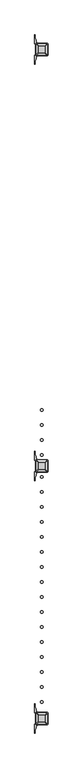
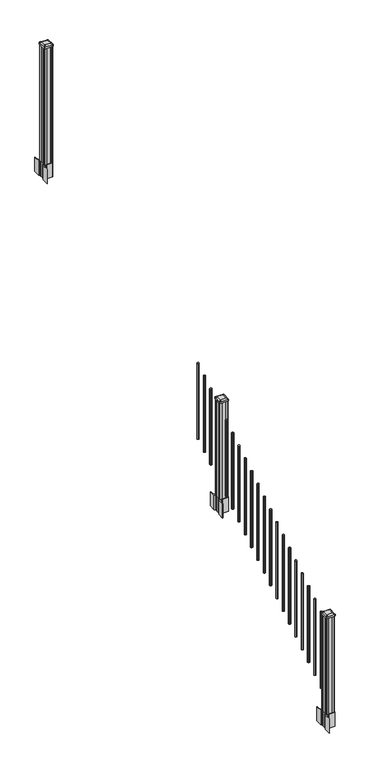
"""IFC4 building model written with IfcOpenShell, lengths in millimetres: railing geometry."""

from ifc_helpers import new_model, si_unit, point, frame, frame_2d, origin, place, context, project, spatial, polyline, circle_curve, trimmed, segment, composite_curve, outline, extrude, source, transform, mapped, element, save
from ifc_brep_helpers import plane_surface, extruded_surface, advanced_brep


def railing_0baa74fc(model_context):
    return source(origin(), model_context, "Body", "SolidModel", [
        extrude(outline(composite_curve([segment(trimmed(circle_curve(frame_2d((7129.4802034, -20054.6054681)), 9.525), [point((7139.0052034, -20054.6054681))], [point((7129.4802034, -20064.1304681))], False, "CARTESIAN"), True, "CONTINUOUS"), segment(trimmed(circle_curve(frame_2d((7129.4802034, -20054.6054681)), 9.525), [point((7129.4802034, -20064.1304681))], [point((7119.9552034, -20054.6054681))], False, "CARTESIAN"), True, "CONTINUOUS"), segment(trimmed(circle_curve(frame_2d((7129.4802034, -20054.6054681)), 9.525), [point((7119.9552034, -20054.6054681))], [point((7129.4802034, -20045.0804681))], False, "CARTESIAN"), True, "CONTINUOUS"), segment(trimmed(circle_curve(frame_2d((7129.4802034, -20054.6054681)), 9.525), [point((7129.4802034, -20045.0804681))], [point((7139.0052034, -20054.6054681))], False, "CARTESIAN"), True, "CONTINUOUS")], self_intersect=False)), frame((0.0, 0.0, 1695.6046281), z_axis=(0.0, 0.0, 1.0), x_axis=(1.0, 0.0, 0.0)), (0.0, 0.0, 1.0), 812.8041219),
        extrude(outline(composite_curve([segment(trimmed(circle_curve(frame_2d((7129.4802034, -20165.8574681)), 9.525), [point((7139.0052034, -20165.8574681))], [point((7129.4802034, -20175.3824681))], False, "CARTESIAN"), True, "CONTINUOUS"), segment(trimmed(circle_curve(frame_2d((7129.4802034, -20165.8574681)), 9.525), [point((7129.4802034, -20175.3824681))], [point((7119.9552034, -20165.8574681))], False, "CARTESIAN"), True, "CONTINUOUS"), segment(trimmed(circle_curve(frame_2d((7129.4802034, -20165.8574681)), 9.525), [point((7119.9552034, -20165.8574681))], [point((7129.4802034, -20156.3324681))], False, "CARTESIAN"), True, "CONTINUOUS"), segment(trimmed(circle_curve(frame_2d((7129.4802034, -20165.8574681)), 9.525), [point((7129.4802034, -20156.3324681))], [point((7139.0052034, -20165.8574681))], False, "CARTESIAN"), True, "CONTINUOUS")], self_intersect=False)), frame((0.0, 0.0, 1626.0721281), z_axis=(0.0, 0.0, 1.0), x_axis=(1.0, 0.0, 0.0)), (0.0, 0.0, 1.0), 812.8041219),
        extrude(outline(composite_curve([segment(trimmed(circle_curve(frame_2d((7129.4802034, -20277.1094681)), 9.525), [point((7139.0052034, -20277.1094681))], [point((7129.4802034, -20286.6344681))], False, "CARTESIAN"), True, "CONTINUOUS"), segment(trimmed(circle_curve(frame_2d((7129.4802034, -20277.1094681)), 9.525), [point((7129.4802034, -20286.6344681))], [point((7119.9552034, -20277.1094681))], False, "CARTESIAN"), True, "CONTINUOUS"), segment(trimmed(circle_curve(frame_2d((7129.4802034, -20277.1094681)), 9.525), [point((7119.9552034, -20277.1094681))], [point((7129.4802034, -20267.5844681))], False, "CARTESIAN"), True, "CONTINUOUS"), segment(trimmed(circle_curve(frame_2d((7129.4802034, -20277.1094681)), 9.525), [point((7129.4802034, -20267.5844681))], [point((7139.0052034, -20277.1094681))], False, "CARTESIAN"), True, "CONTINUOUS")], self_intersect=False)), frame((0.0, 0.0, 1556.5396281), z_axis=(0.0, 0.0, 1.0), x_axis=(1.0, 0.0, 0.0)), (0.0, 0.0, 1.0), 812.8041219),
        extrude(outline(composite_curve([segment(trimmed(circle_curve(frame_2d((7129.4802034, -20388.3614681)), 9.525), [point((7139.0052034, -20388.3614681))], [point((7129.4802034, -20397.8864681))], False, "CARTESIAN"), True, "CONTINUOUS"), segment(trimmed(circle_curve(frame_2d((7129.4802034, -20388.3614681)), 9.525), [point((7129.4802034, -20397.8864681))], [point((7119.9552034, -20388.3614681))], False, "CARTESIAN"), True, "CONTINUOUS"), segment(trimmed(circle_curve(frame_2d((7129.4802034, -20388.3614681)), 9.525), [point((7119.9552034, -20388.3614681))], [point((7129.4802034, -20378.8364681))], False, "CARTESIAN"), True, "CONTINUOUS"), segment(trimmed(circle_curve(frame_2d((7129.4802034, -20388.3614681)), 9.525), [point((7129.4802034, -20378.8364681))], [point((7139.0052034, -20388.3614681))], False, "CARTESIAN"), True, "CONTINUOUS")], self_intersect=False)), frame((0.0, 0.0, 1487.0071281), z_axis=(0.0, 0.0, 1.0), x_axis=(1.0, 0.0, 0.0)), (0.0, 0.0, 1.0), 812.8041219),
        extrude(outline(composite_curve([segment(polyline([(7172.2157034, -20486.773563), (7173.8032034, -20487.535563), (7173.8032034, -20510.337491), (7170.4302263, -20513.7104681), (7108.9705555, -20513.7104681), (7108.9705555, -20514.6312181), (7103.6530117, -20514.6312181), (7103.6530117, -20516.0854728), (7098.568482, -20516.0854728), (7098.568482, -20517.3694966), (7096.9012097, -20517.3694966)]), True, "CONTINUOUS"), segment(trimmed(circle_curve(frame_2d((7096.9012097, -20524.4289565)), 7.0594599), [point((7096.9012097, -20517.3694966))], [point((7090.1339468, -20522.4189498))], True, "CARTESIAN"), True, "CONTINUOUS"), segment(polyline([(7090.1339468, -20522.4189498), (7082.2597526, -20548.9296789)]), True, "CONTINUOUS"), segment(trimmed(circle_curve(frame_2d((7137.0442659, -20565.2017285)), 57.15), [point((7082.2597526, -20548.9296789))], [point((7079.8942659, -20565.2017285))], True, "CARTESIAN"), True, "CONTINUOUS"), segment(polyline([(7079.8942659, -20565.2017285), (7079.8942659, -20577.2104681), (7076.8942659, -20577.2104681), (7076.8942659, -20512.1229681), (7085.1572034, -20500.7846768), (7085.1572034, -20487.535563), (7086.7447034, -20486.773563), (7086.7447034, -20452.0013732), (7085.1572034, -20451.2393732), (7085.1572034, -20437.9902594), (7076.8942659, -20426.6519681), (7076.8942659, -20361.5644681), (7079.8942659, -20361.5644681), (7079.8942659, -20373.5732076)]), True, "CONTINUOUS"), segment(trimmed(circle_curve(frame_2d((7137.0442659, -20373.5732076)), 57.15), [point((7079.8942659, -20373.5732076))], [point((7082.2597526, -20389.8452573))], True, "CARTESIAN"), True, "CONTINUOUS"), segment(polyline([(7082.2597526, -20389.8452573), (7090.1339468, -20416.3559864)]), True, "CONTINUOUS"), segment(trimmed(circle_curve(frame_2d((7096.9012097, -20414.3459797)), 7.0594599), [point((7090.1339468, -20416.3559864))], [point((7096.9012097, -20421.4054396))], True, "CARTESIAN"), True, "CONTINUOUS"), segment(polyline([(7096.9012097, -20421.4054396), (7098.568482, -20421.4054396), (7098.568482, -20422.6894634), (7103.6530117, -20422.6894634), (7103.6530117, -20424.1437181), (7108.9705555, -20424.1437181), (7108.9705555, -20425.0644681), (7170.4302263, -20425.0644681), (7173.8032034, -20428.4374452), (7173.8032034, -20451.2393732), (7172.2157034, -20452.0013732), (7172.2157034, -20486.773563)]), True, "CONTINUOUS")], self_intersect=False), holes=[polyline([(7088.2052034, -20429.6999681), (7088.2052034, -20509.0749681), (7089.7927034, -20510.6624681), (7126.716986, -20510.6624681), (7169.1677034, -20510.6624681), (7170.7552034, -20509.0749681), (7170.7552034, -20429.6999681), (7169.1677034, -20428.1124681), (7126.716986, -20428.1124681), (7089.7927034, -20428.1124681), (7088.2052034, -20429.6999681)])]), frame((0.0, 0.0, 1182.37), z_axis=(0.0, 0.0, 1.0), x_axis=(1.0, 0.0, 0.0)), (0.0, 0.0, 1.0), 152.4),
        advanced_brep(
        [(7103.6833284, -20498.3593431, 2394.709263), (7155.2770784, -20498.3593431, 2394.709263), (7158.4520784, -20495.1843431, 2394.709263), (7158.4520784, -20443.5905931, 2394.709263), (7155.2770784, -20440.4155931, 2394.709263), (7103.6833284, -20440.4155931, 2394.709263), (7100.5083284, -20443.5905931, 2394.709263), (7100.5083284, -20495.1843431, 2394.709263), (7087.4114534, -20514.6312181, 2383.406263), (7084.2364534, -20511.4562181, 2383.406263), (7084.2364534, -20427.3187181, 2383.406263), (7087.4114534, -20424.1437181, 2383.406263), (7171.5489534, -20424.1437181, 2383.406263), (7174.7239534, -20427.3187181, 2383.406263), (7174.7239534, -20511.4562181, 2383.406263), (7171.5489534, -20514.6312181, 2383.406263)],
        [
            (0, 1),
            (1, 2, circle_curve(frame((7155.2770784, -20495.1843431, 2394.709263), z_axis=(0.0, 0.0, 1.0), x_axis=(0.0, 1.0, 0.0)), 3.175)),
            (2, 3),
            (3, 4, circle_curve(frame((7155.2770784, -20443.5905931, 2394.709263), z_axis=(0.0, 0.0, 1.0), x_axis=(0.0, 1.0, 0.0)), 3.175)),
            (4, 5),
            (5, 6, circle_curve(frame((7103.6833284, -20443.5905931, 2394.709263), z_axis=(0.0, 0.0, 1.0), x_axis=(0.0, 1.0, 0.0)), 3.175)),
            (6, 7),
            (7, 0, circle_curve(frame((7103.6833284, -20495.1843431, 2394.709263), z_axis=(0.0, 0.0, 1.0), x_axis=(0.0, 1.0, 0.0)), 3.175)),
            (8, 9, circle_curve(frame((7087.4114534, -20511.4562181, 2383.406263), z_axis=(0.0, 0.0, -1.0), x_axis=(0.0, 1.0, 0.0)), 3.175)),
            (9, 10),
            (10, 11, circle_curve(frame((7087.4114534, -20427.3187181, 2383.406263), z_axis=(0.0, 0.0, -1.0), x_axis=(0.0, 1.0, 0.0)), 3.175)),
            (11, 12),
            (12, 13, circle_curve(frame((7171.5489534, -20427.3187181, 2383.406263), z_axis=(0.0, 0.0, -1.0), x_axis=(0.0, 1.0, 0.0)), 3.175)),
            (13, 14),
            (14, 15, circle_curve(frame((7171.5489534, -20511.4562181, 2383.406263), z_axis=(0.0, 0.0, -1.0), x_axis=(0.0, 1.0, 0.0)), 3.175)),
            (15, 8),
            (8, 0),
            (7, 9),
            (6, 10),
            (5, 11),
            (4, 12),
            (3, 13),
            (2, 14),
            (1, 15),
        ],
        [
            plane_surface(frame((7129.4802034, -20469.3874681, 2394.709263), z_axis=(0.0, 0.0, 1.0), x_axis=(-1.0, 0.0, 0.0))),
            plane_surface(frame((7129.4802034, -20469.3874681, 2383.406263), z_axis=(0.0, 0.0, -1.0), x_axis=(-1.0, 0.0, 0.0))),
            extruded_surface(trimmed(circle_curve(frame((7103.6833284, -20495.1843431, 2394.709263), z_axis=(0.0, 0.0, -1.0), x_axis=(0.0, 1.0, 0.0)), 3.175), [point((7103.6833284, -20498.3593431, 2394.709263))], [point((7100.5083284, -20495.1843431, 2394.709263))], True, "CARTESIAN"), (-16.271875000000364, -16.271874999998545, -11.303000000000338), 25.63797263886562),
            plane_surface(frame((7084.2364534, -20469.3874681, 2383.406263), z_axis=(-0.5705009161540778, 0.0, 0.8212969649690408), x_axis=(0.0, 1.0, 0.0))),
            extruded_surface(trimmed(circle_curve(frame((7103.6833284, -20443.5905931, 2394.709263), z_axis=(0.0, 0.0, -1.0), x_axis=(0.0, 1.0, 0.0)), 3.175), [point((7100.5083284, -20443.5905931, 2394.709263))], [point((7103.6833284, -20440.4155931, 2394.709263))], True, "CARTESIAN"), (-16.271875000000364, 16.271875000002183, -11.303000000000338), 25.63797263886793),
            plane_surface(frame((7129.4802034, -20424.1437181, 2383.406263), z_axis=(0.0, 0.5705009161540291, 0.8212969649690747), x_axis=(1.0, 0.0, 0.0))),
            extruded_surface(trimmed(circle_curve(frame((7155.2770784, -20443.5905931, 2394.709263), z_axis=(0.0, 0.0, -1.0), x_axis=(0.0, 1.0, 0.0)), 3.175), [point((7155.2770784, -20440.4155931, 2394.709263))], [point((7158.4520784, -20443.5905931, 2394.709263))], True, "CARTESIAN"), (16.271874999999454, 16.271875000002183, -11.303000000000338), 25.637972638867353),
            plane_surface(frame((7174.7239534, -20469.3874681, 2383.406263), z_axis=(0.5705009161540142, 0.0, 0.8212969649690851), x_axis=(0.0, -1.0, 0.0))),
            extruded_surface(trimmed(circle_curve(frame((7155.2770784, -20495.1843431, 2394.709263), z_axis=(0.0, 0.0, -1.0), x_axis=(0.0, 1.0, 0.0)), 3.175), [point((7158.4520784, -20495.1843431, 2394.709263))], [point((7155.2770784, -20498.3593431, 2394.709263))], True, "CARTESIAN"), (16.271874999999454, -16.271874999998545, -11.303000000000338), 25.63797263886504),
            plane_surface(frame((7129.4802034, -20514.6312181, 2383.406263), z_axis=(0.0, -0.570500916154034, 0.8212969649690713), x_axis=(-1.0, 0.0, 0.0))),
        ],
        [
            (0, [[1, 2, 3, 4, 5, 6, 7, 8]]),
            (1, [[9, 10, 11, 12, 13, 14, 15, 16]]),
            (2, [[17, -8, 18, -9]]),
            (3, [[-18, -7, 19, -10]]),
            (4, [[-19, -6, 20, -11]]),
            (5, [[-20, -5, 21, -12]]),
            (6, [[-21, -4, 22, -13]]),
            (7, [[-22, -3, 23, -14]]),
            (8, [[-23, -2, 24, -15]]),
            (9, [[-24, -1, -17, -16]]),
        ],
    ),
        extrude(outline(composite_curve([segment(trimmed(circle_curve(frame_2d((7087.4114534, -20511.4562181)), 3.175), [point((7087.4114534, -20514.6312181))], [point((7084.2364534, -20511.4562181))], False, "CARTESIAN"), True, "CONTINUOUS"), segment(polyline([(7084.2364534, -20511.4562181), (7084.2364534, -20427.3187181)]), True, "CONTINUOUS"), segment(trimmed(circle_curve(frame_2d((7087.4114534, -20427.3187181)), 3.175), [point((7084.2364534, -20427.3187181))], [point((7087.4114534, -20424.1437181))], False, "CARTESIAN"), True, "CONTINUOUS"), segment(polyline([(7087.4114534, -20424.1437181), (7171.5489534, -20424.1437181)]), True, "CONTINUOUS"), segment(trimmed(circle_curve(frame_2d((7171.5489534, -20427.3187181)), 3.175), [point((7171.5489534, -20424.1437181))], [point((7174.7239534, -20427.3187181))], False, "CARTESIAN"), True, "CONTINUOUS"), segment(polyline([(7174.7239534, -20427.3187181), (7174.7239534, -20511.4562181)]), True, "CONTINUOUS"), segment(trimmed(circle_curve(frame_2d((7171.5489534, -20511.4562181)), 3.175), [point((7174.7239534, -20511.4562181))], [point((7171.5489534, -20514.6312181))], False, "CARTESIAN"), True, "CONTINUOUS"), segment(polyline([(7171.5489534, -20514.6312181), (7087.4114534, -20514.6312181)]), True, "CONTINUOUS")], self_intersect=False)), frame((0.0, 0.0, 2366.134263), z_axis=(0.0, 0.0, 1.0), x_axis=(1.0, 0.0, 0.0)), (0.0, 0.0, 1.0), 17.272),
        extrude(outline(polyline([(7089.7927034, -20510.6624681), (7088.2052034, -20509.0749681), (7088.2052034, -20489.4534681), (7089.7927034, -20488.6914681), (7089.7927034, -20450.0834681), (7088.2052034, -20449.3214681), (7088.2052034, -20429.6999681), (7089.7927034, -20428.1124681), (7109.4142034, -20428.1124681), (7110.1762034, -20429.6999681), (7148.7842034, -20429.6999681), (7149.5462034, -20428.1124681), (7169.1677034, -20428.1124681), (7170.7552034, -20429.6999681), (7170.7552034, -20449.3214681), (7169.1677034, -20450.0834681), (7169.1677034, -20488.6914681), (7170.7552034, -20489.4534681), (7170.7552034, -20509.0749681), (7169.1677034, -20510.6624681), (7149.5462034, -20510.6624681), (7148.7842034, -20509.0749681), (7110.1762034, -20509.0749681), (7109.4142034, -20510.6624681), (7089.7927034, -20510.6624681)])), frame((0.0, 0.0, 1334.77), z_axis=(0.0, 0.0, 1.0), x_axis=(1.0, 0.0, 0.0)), (0.0, 0.0, 1.0), 1031.364263),
        extrude(outline(composite_curve([segment(trimmed(circle_curve(frame_2d((7129.4802034, -20550.4134681)), 9.525), [point((7139.0052034, -20550.4134681))], [point((7129.4802034, -20559.9384681))], False, "CARTESIAN"), True, "CONTINUOUS"), segment(trimmed(circle_curve(frame_2d((7129.4802034, -20550.4134681)), 9.525), [point((7129.4802034, -20559.9384681))], [point((7119.9552034, -20550.4134681))], False, "CARTESIAN"), True, "CONTINUOUS"), segment(trimmed(circle_curve(frame_2d((7129.4802034, -20550.4134681)), 9.525), [point((7119.9552034, -20550.4134681))], [point((7129.4802034, -20540.8884681))], False, "CARTESIAN"), True, "CONTINUOUS"), segment(trimmed(circle_curve(frame_2d((7129.4802034, -20550.4134681)), 9.525), [point((7129.4802034, -20540.8884681))], [point((7139.0052034, -20550.4134681))], False, "CARTESIAN"), True, "CONTINUOUS")], self_intersect=False)), frame((0.0, 0.0, 1385.7246281), z_axis=(0.0, 0.0, 1.0), x_axis=(1.0, 0.0, 0.0)), (0.0, 0.0, 1.0), 812.8041219),
        extrude(outline(composite_curve([segment(trimmed(circle_curve(frame_2d((7129.4802034, -20661.6654681)), 9.525), [point((7139.0052034, -20661.6654681))], [point((7129.4802034, -20671.1904681))], False, "CARTESIAN"), True, "CONTINUOUS"), segment(trimmed(circle_curve(frame_2d((7129.4802034, -20661.6654681)), 9.525), [point((7129.4802034, -20671.1904681))], [point((7119.9552034, -20661.6654681))], False, "CARTESIAN"), True, "CONTINUOUS"), segment(trimmed(circle_curve(frame_2d((7129.4802034, -20661.6654681)), 9.525), [point((7119.9552034, -20661.6654681))], [point((7129.4802034, -20652.1404681))], False, "CARTESIAN"), True, "CONTINUOUS"), segment(trimmed(circle_curve(frame_2d((7129.4802034, -20661.6654681)), 9.525), [point((7129.4802034, -20652.1404681))], [point((7139.0052034, -20661.6654681))], False, "CARTESIAN"), True, "CONTINUOUS")], self_intersect=False)), frame((0.0, 0.0, 1316.1921281), z_axis=(0.0, 0.0, 1.0), x_axis=(1.0, 0.0, 0.0)), (0.0, 0.0, 1.0), 812.8041219),
        extrude(outline(composite_curve([segment(trimmed(circle_curve(frame_2d((7129.4802034, -20772.9174681)), 9.525), [point((7139.0052034, -20772.9174681))], [point((7129.4802034, -20782.4424681))], False, "CARTESIAN"), True, "CONTINUOUS"), segment(trimmed(circle_curve(frame_2d((7129.4802034, -20772.9174681)), 9.525), [point((7129.4802034, -20782.4424681))], [point((7119.9552034, -20772.9174681))], False, "CARTESIAN"), True, "CONTINUOUS"), segment(trimmed(circle_curve(frame_2d((7129.4802034, -20772.9174681)), 9.525), [point((7119.9552034, -20772.9174681))], [point((7129.4802034, -20763.3924681))], False, "CARTESIAN"), True, "CONTINUOUS"), segment(trimmed(circle_curve(frame_2d((7129.4802034, -20772.9174681)), 9.525), [point((7129.4802034, -20763.3924681))], [point((7139.0052034, -20772.9174681))], False, "CARTESIAN"), True, "CONTINUOUS")], self_intersect=False)), frame((0.0, 0.0, 1246.6596281), z_axis=(0.0, 0.0, 1.0), x_axis=(1.0, 0.0, 0.0)), (0.0, 0.0, 1.0), 812.8041219),
        extrude(outline(composite_curve([segment(trimmed(circle_curve(frame_2d((7129.4802034, -20884.1694681)), 9.525), [point((7139.0052034, -20884.1694681))], [point((7129.4802034, -20893.6944681))], False, "CARTESIAN"), True, "CONTINUOUS"), segment(trimmed(circle_curve(frame_2d((7129.4802034, -20884.1694681)), 9.525), [point((7129.4802034, -20893.6944681))], [point((7119.9552034, -20884.1694681))], False, "CARTESIAN"), True, "CONTINUOUS"), segment(trimmed(circle_curve(frame_2d((7129.4802034, -20884.1694681)), 9.525), [point((7119.9552034, -20884.1694681))], [point((7129.4802034, -20874.6444681))], False, "CARTESIAN"), True, "CONTINUOUS"), segment(trimmed(circle_curve(frame_2d((7129.4802034, -20884.1694681)), 9.525), [point((7129.4802034, -20874.6444681))], [point((7139.0052034, -20884.1694681))], False, "CARTESIAN"), True, "CONTINUOUS")], self_intersect=False)), frame((0.0, 0.0, 1177.1271281), z_axis=(0.0, 0.0, 1.0), x_axis=(1.0, 0.0, 0.0)), (0.0, 0.0, 1.0), 812.8041219),
        extrude(outline(composite_curve([segment(trimmed(circle_curve(frame_2d((7129.4802034, -20995.4214681)), 9.525), [point((7139.0052034, -20995.4214681))], [point((7129.4802034, -21004.9464681))], False, "CARTESIAN"), True, "CONTINUOUS"), segment(trimmed(circle_curve(frame_2d((7129.4802034, -20995.4214681)), 9.525), [point((7129.4802034, -21004.9464681))], [point((7119.9552034, -20995.4214681))], False, "CARTESIAN"), True, "CONTINUOUS"), segment(trimmed(circle_curve(frame_2d((7129.4802034, -20995.4214681)), 9.525), [point((7119.9552034, -20995.4214681))], [point((7129.4802034, -20985.8964681))], False, "CARTESIAN"), True, "CONTINUOUS"), segment(trimmed(circle_curve(frame_2d((7129.4802034, -20995.4214681)), 9.525), [point((7129.4802034, -20985.8964681))], [point((7139.0052034, -20995.4214681))], False, "CARTESIAN"), True, "CONTINUOUS")], self_intersect=False)), frame((0.0, 0.0, 1107.5946281), z_axis=(0.0, 0.0, 1.0), x_axis=(1.0, 0.0, 0.0)), (0.0, 0.0, 1.0), 812.8041219),
        extrude(outline(composite_curve([segment(trimmed(circle_curve(frame_2d((7129.4802034, -21106.6734681)), 9.525), [point((7139.0052034, -21106.6734681))], [point((7129.4802034, -21116.1984681))], False, "CARTESIAN"), True, "CONTINUOUS"), segment(trimmed(circle_curve(frame_2d((7129.4802034, -21106.6734681)), 9.525), [point((7129.4802034, -21116.1984681))], [point((7119.9552034, -21106.6734681))], False, "CARTESIAN"), True, "CONTINUOUS"), segment(trimmed(circle_curve(frame_2d((7129.4802034, -21106.6734681)), 9.525), [point((7119.9552034, -21106.6734681))], [point((7129.4802034, -21097.1484681))], False, "CARTESIAN"), True, "CONTINUOUS"), segment(trimmed(circle_curve(frame_2d((7129.4802034, -21106.6734681)), 9.525), [point((7129.4802034, -21097.1484681))], [point((7139.0052034, -21106.6734681))], False, "CARTESIAN"), True, "CONTINUOUS")], self_intersect=False)), frame((0.0, 0.0, 1038.0621281), z_axis=(0.0, 0.0, 1.0), x_axis=(1.0, 0.0, 0.0)), (0.0, 0.0, 1.0), 812.8041219),
        extrude(outline(composite_curve([segment(trimmed(circle_curve(frame_2d((7129.4802034, -21217.9254681)), 9.525), [point((7139.0052034, -21217.9254681))], [point((7129.4802034, -21227.4504681))], False, "CARTESIAN"), True, "CONTINUOUS"), segment(trimmed(circle_curve(frame_2d((7129.4802034, -21217.9254681)), 9.525), [point((7129.4802034, -21227.4504681))], [point((7119.9552034, -21217.9254681))], False, "CARTESIAN"), True, "CONTINUOUS"), segment(trimmed(circle_curve(frame_2d((7129.4802034, -21217.9254681)), 9.525), [point((7119.9552034, -21217.9254681))], [point((7129.4802034, -21208.4004681))], False, "CARTESIAN"), True, "CONTINUOUS"), segment(trimmed(circle_curve(frame_2d((7129.4802034, -21217.9254681)), 9.525), [point((7129.4802034, -21208.4004681))], [point((7139.0052034, -21217.9254681))], False, "CARTESIAN"), True, "CONTINUOUS")], self_intersect=False)), frame((0.0, 0.0, 968.5296281), z_axis=(0.0, 0.0, 1.0), x_axis=(1.0, 0.0, 0.0)), (0.0, 0.0, 1.0), 812.8041219),
        extrude(outline(composite_curve([segment(trimmed(circle_curve(frame_2d((7129.4802034, -21329.1774681)), 9.525), [point((7139.0052034, -21329.1774681))], [point((7129.4802034, -21338.7024681))], False, "CARTESIAN"), True, "CONTINUOUS"), segment(trimmed(circle_curve(frame_2d((7129.4802034, -21329.1774681)), 9.525), [point((7129.4802034, -21338.7024681))], [point((7119.9552034, -21329.1774681))], False, "CARTESIAN"), True, "CONTINUOUS"), segment(trimmed(circle_curve(frame_2d((7129.4802034, -21329.1774681)), 9.525), [point((7119.9552034, -21329.1774681))], [point((7129.4802034, -21319.6524681))], False, "CARTESIAN"), True, "CONTINUOUS"), segment(trimmed(circle_curve(frame_2d((7129.4802034, -21329.1774681)), 9.525), [point((7129.4802034, -21319.6524681))], [point((7139.0052034, -21329.1774681))], False, "CARTESIAN"), True, "CONTINUOUS")], self_intersect=False)), frame((0.0, 0.0, 898.9971281), z_axis=(0.0, 0.0, 1.0), x_axis=(1.0, 0.0, 0.0)), (0.0, 0.0, 1.0), 812.8041219),
        extrude(outline(composite_curve([segment(trimmed(circle_curve(frame_2d((7129.4802034, -21440.4294681)), 9.525), [point((7139.0052034, -21440.4294681))], [point((7129.4802034, -21449.9544681))], False, "CARTESIAN"), True, "CONTINUOUS"), segment(trimmed(circle_curve(frame_2d((7129.4802034, -21440.4294681)), 9.525), [point((7129.4802034, -21449.9544681))], [point((7119.9552034, -21440.4294681))], False, "CARTESIAN"), True, "CONTINUOUS"), segment(trimmed(circle_curve(frame_2d((7129.4802034, -21440.4294681)), 9.525), [point((7119.9552034, -21440.4294681))], [point((7129.4802034, -21430.9044681))], False, "CARTESIAN"), True, "CONTINUOUS"), segment(trimmed(circle_curve(frame_2d((7129.4802034, -21440.4294681)), 9.525), [point((7129.4802034, -21430.9044681))], [point((7139.0052034, -21440.4294681))], False, "CARTESIAN"), True, "CONTINUOUS")], self_intersect=False)), frame((0.0, 0.0, 829.4646281), z_axis=(0.0, 0.0, 1.0), x_axis=(1.0, 0.0, 0.0)), (0.0, 0.0, 1.0), 812.8041219),
        extrude(outline(composite_curve([segment(trimmed(circle_curve(frame_2d((7129.4802034, -21551.6814681)), 9.525), [point((7139.0052034, -21551.6814681))], [point((7129.4802034, -21561.2064681))], False, "CARTESIAN"), True, "CONTINUOUS"), segment(trimmed(circle_curve(frame_2d((7129.4802034, -21551.6814681)), 9.525), [point((7129.4802034, -21561.2064681))], [point((7119.9552034, -21551.6814681))], False, "CARTESIAN"), True, "CONTINUOUS"), segment(trimmed(circle_curve(frame_2d((7129.4802034, -21551.6814681)), 9.525), [point((7119.9552034, -21551.6814681))], [point((7129.4802034, -21542.1564681))], False, "CARTESIAN"), True, "CONTINUOUS"), segment(trimmed(circle_curve(frame_2d((7129.4802034, -21551.6814681)), 9.525), [point((7129.4802034, -21542.1564681))], [point((7139.0052034, -21551.6814681))], False, "CARTESIAN"), True, "CONTINUOUS")], self_intersect=False)), frame((0.0, 0.0, 759.9321281), z_axis=(0.0, 0.0, 1.0), x_axis=(1.0, 0.0, 0.0)), (0.0, 0.0, 1.0), 812.8041219),
        extrude(outline(composite_curve([segment(trimmed(circle_curve(frame_2d((7129.4802034, -21662.9334681)), 9.525), [point((7139.0052034, -21662.9334681))], [point((7129.4802034, -21672.4584681))], False, "CARTESIAN"), True, "CONTINUOUS"), segment(trimmed(circle_curve(frame_2d((7129.4802034, -21662.9334681)), 9.525), [point((7129.4802034, -21672.4584681))], [point((7119.9552034, -21662.9334681))], False, "CARTESIAN"), True, "CONTINUOUS"), segment(trimmed(circle_curve(frame_2d((7129.4802034, -21662.9334681)), 9.525), [point((7119.9552034, -21662.9334681))], [point((7129.4802034, -21653.4084681))], False, "CARTESIAN"), True, "CONTINUOUS"), segment(trimmed(circle_curve(frame_2d((7129.4802034, -21662.9334681)), 9.525), [point((7129.4802034, -21653.4084681))], [point((7139.0052034, -21662.9334681))], False, "CARTESIAN"), True, "CONTINUOUS")], self_intersect=False)), frame((0.0, 0.0, 690.3996281), z_axis=(0.0, 0.0, 1.0), x_axis=(1.0, 0.0, 0.0)), (0.0, 0.0, 1.0), 812.8041219),
        extrude(outline(composite_curve([segment(trimmed(circle_curve(frame_2d((7129.4802034, -21774.1854681)), 9.525), [point((7139.0052034, -21774.1854681))], [point((7129.4802034, -21783.7104681))], False, "CARTESIAN"), True, "CONTINUOUS"), segment(trimmed(circle_curve(frame_2d((7129.4802034, -21774.1854681)), 9.525), [point((7129.4802034, -21783.7104681))], [point((7119.9552034, -21774.1854681))], False, "CARTESIAN"), True, "CONTINUOUS"), segment(trimmed(circle_curve(frame_2d((7129.4802034, -21774.1854681)), 9.525), [point((7119.9552034, -21774.1854681))], [point((7129.4802034, -21764.6604681))], False, "CARTESIAN"), True, "CONTINUOUS"), segment(trimmed(circle_curve(frame_2d((7129.4802034, -21774.1854681)), 9.525), [point((7129.4802034, -21764.6604681))], [point((7139.0052034, -21774.1854681))], False, "CARTESIAN"), True, "CONTINUOUS")], self_intersect=False)), frame((0.0, 0.0, 620.8671281), z_axis=(0.0, 0.0, 1.0), x_axis=(1.0, 0.0, 0.0)), (0.0, 0.0, 1.0), 812.8041219),
        extrude(outline(composite_curve([segment(trimmed(circle_curve(frame_2d((7129.4802034, -21885.4374681)), 9.525), [point((7139.0052034, -21885.4374681))], [point((7129.4802034, -21894.9624681))], False, "CARTESIAN"), True, "CONTINUOUS"), segment(trimmed(circle_curve(frame_2d((7129.4802034, -21885.4374681)), 9.525), [point((7129.4802034, -21894.9624681))], [point((7119.9552034, -21885.4374681))], False, "CARTESIAN"), True, "CONTINUOUS"), segment(trimmed(circle_curve(frame_2d((7129.4802034, -21885.4374681)), 9.525), [point((7119.9552034, -21885.4374681))], [point((7129.4802034, -21875.9124681))], False, "CARTESIAN"), True, "CONTINUOUS"), segment(trimmed(circle_curve(frame_2d((7129.4802034, -21885.4374681)), 9.525), [point((7129.4802034, -21875.9124681))], [point((7139.0052034, -21885.4374681))], False, "CARTESIAN"), True, "CONTINUOUS")], self_intersect=False)), frame((0.0, 0.0, 551.3346281), z_axis=(0.0, 0.0, 1.0), x_axis=(1.0, 0.0, 0.0)), (0.0, 0.0, 1.0), 812.8041219),
        extrude(outline(composite_curve([segment(trimmed(circle_curve(frame_2d((7129.4802034, -21996.6894681)), 9.525), [point((7139.0052034, -21996.6894681))], [point((7129.4802034, -22006.2144681))], False, "CARTESIAN"), True, "CONTINUOUS"), segment(trimmed(circle_curve(frame_2d((7129.4802034, -21996.6894681)), 9.525), [point((7129.4802034, -22006.2144681))], [point((7119.9552034, -21996.6894681))], False, "CARTESIAN"), True, "CONTINUOUS"), segment(trimmed(circle_curve(frame_2d((7129.4802034, -21996.6894681)), 9.525), [point((7119.9552034, -21996.6894681))], [point((7129.4802034, -21987.1644681))], False, "CARTESIAN"), True, "CONTINUOUS"), segment(trimmed(circle_curve(frame_2d((7129.4802034, -21996.6894681)), 9.525), [point((7129.4802034, -21987.1644681))], [point((7139.0052034, -21996.6894681))], False, "CARTESIAN"), True, "CONTINUOUS")], self_intersect=False)), frame((0.0, 0.0, 481.8021281), z_axis=(0.0, 0.0, 1.0), x_axis=(1.0, 0.0, 0.0)), (0.0, 0.0, 1.0), 812.8041219),
        extrude(outline(composite_curve([segment(trimmed(circle_curve(frame_2d((7129.4802034, -22107.9414681)), 9.525), [point((7139.0052034, -22107.9414681))], [point((7129.4802034, -22117.4664681))], False, "CARTESIAN"), True, "CONTINUOUS"), segment(trimmed(circle_curve(frame_2d((7129.4802034, -22107.9414681)), 9.525), [point((7129.4802034, -22117.4664681))], [point((7119.9552034, -22107.9414681))], False, "CARTESIAN"), True, "CONTINUOUS"), segment(trimmed(circle_curve(frame_2d((7129.4802034, -22107.9414681)), 9.525), [point((7119.9552034, -22107.9414681))], [point((7129.4802034, -22098.4164681))], False, "CARTESIAN"), True, "CONTINUOUS"), segment(trimmed(circle_curve(frame_2d((7129.4802034, -22107.9414681)), 9.525), [point((7129.4802034, -22098.4164681))], [point((7139.0052034, -22107.9414681))], False, "CARTESIAN"), True, "CONTINUOUS")], self_intersect=False)), frame((0.0, 0.0, 412.2696281), z_axis=(0.0, 0.0, 1.0), x_axis=(1.0, 0.0, 0.0)), (0.0, 0.0, 1.0), 812.8041219),
        extrude(outline(composite_curve([segment(trimmed(circle_curve(frame_2d((7129.4802034, -22219.1934681)), 9.525), [point((7139.0052034, -22219.1934681))], [point((7129.4802034, -22228.7184681))], False, "CARTESIAN"), True, "CONTINUOUS"), segment(trimmed(circle_curve(frame_2d((7129.4802034, -22219.1934681)), 9.525), [point((7129.4802034, -22228.7184681))], [point((7119.9552034, -22219.1934681))], False, "CARTESIAN"), True, "CONTINUOUS"), segment(trimmed(circle_curve(frame_2d((7129.4802034, -22219.1934681)), 9.525), [point((7119.9552034, -22219.1934681))], [point((7129.4802034, -22209.6684681))], False, "CARTESIAN"), True, "CONTINUOUS"), segment(trimmed(circle_curve(frame_2d((7129.4802034, -22219.1934681)), 9.525), [point((7129.4802034, -22209.6684681))], [point((7139.0052034, -22219.1934681))], False, "CARTESIAN"), True, "CONTINUOUS")], self_intersect=False)), frame((0.0, 0.0, 342.7371281), z_axis=(0.0, 0.0, 1.0), x_axis=(1.0, 0.0, 0.0)), (0.0, 0.0, 1.0), 812.8041219),
        extrude(outline(polyline([(7089.7927034, -17423.2924681), (7088.2052034, -17421.7049681), (7088.2052034, -17402.0834681), (7089.7927034, -17401.3214681), (7089.7927034, -17362.7134681), (7088.2052034, -17361.9514681), (7088.2052034, -17342.3299681), (7089.7927034, -17340.7424681), (7109.4142034, -17340.7424681), (7110.1762034, -17342.3299681), (7148.7842034, -17342.3299681), (7149.5462034, -17340.7424681), (7169.1677034, -17340.7424681), (7170.7552034, -17342.3299681), (7170.7552034, -17361.9514681), (7169.1677034, -17362.7134681), (7169.1677034, -17401.3214681), (7170.7552034, -17402.0834681), (7170.7552034, -17421.7049681), (7169.1677034, -17423.2924681), (7149.5462034, -17423.2924681), (7148.7842034, -17421.7049681), (7110.1762034, -17421.7049681), (7109.4142034, -17423.2924681), (7089.7927034, -17423.2924681)])), frame((0.0, 0.0, 3048.0), z_axis=(0.0, 0.0, 1.0), x_axis=(1.0, 0.0, 0.0)), (0.0, 0.0, 1.0), 1247.740513),
        extrude(outline(composite_curve([segment(polyline([(7172.2157034, -17399.403563), (7173.8032034, -17400.165563), (7173.8032034, -17422.967491), (7170.4302263, -17426.3404681), (7108.9705555, -17426.3404681), (7108.9705555, -17427.2612181), (7103.6530117, -17427.2612181), (7103.6530117, -17428.7154728), (7098.568482, -17428.7154728), (7098.568482, -17429.9994966), (7096.9012097, -17429.9994966)]), True, "CONTINUOUS"), segment(trimmed(circle_curve(frame_2d((7096.9012097, -17437.0589565)), 7.0594599), [point((7096.9012097, -17429.9994966))], [point((7090.1339468, -17435.0489498))], True, "CARTESIAN"), True, "CONTINUOUS"), segment(polyline([(7090.1339468, -17435.0489498), (7082.2597526, -17461.5596789)]), True, "CONTINUOUS"), segment(trimmed(circle_curve(frame_2d((7137.0442659, -17477.8317285)), 57.15), [point((7082.2597526, -17461.5596789))], [point((7079.8942659, -17477.8317285))], True, "CARTESIAN"), True, "CONTINUOUS"), segment(polyline([(7079.8942659, -17477.8317285), (7079.8942659, -17489.8404681), (7076.8942659, -17489.8404681), (7076.8942659, -17424.7529681), (7085.1572034, -17413.4146768), (7085.1572034, -17400.165563), (7086.7447034, -17399.403563), (7086.7447034, -17364.6313732), (7085.1572034, -17363.8693732), (7085.1572034, -17350.6202594), (7076.8942659, -17339.2819681), (7076.8942659, -17274.1944681), (7079.8942659, -17274.1944681), (7079.8942659, -17286.2032076)]), True, "CONTINUOUS"), segment(trimmed(circle_curve(frame_2d((7137.0442659, -17286.2032076)), 57.15), [point((7079.8942659, -17286.2032076))], [point((7082.2597526, -17302.4752573))], True, "CARTESIAN"), True, "CONTINUOUS"), segment(polyline([(7082.2597526, -17302.4752573), (7090.1339468, -17328.9859864)]), True, "CONTINUOUS"), segment(trimmed(circle_curve(frame_2d((7096.9012097, -17326.9759797)), 7.0594599), [point((7090.1339468, -17328.9859864))], [point((7096.9012097, -17334.0354396))], True, "CARTESIAN"), True, "CONTINUOUS"), segment(polyline([(7096.9012097, -17334.0354396), (7098.568482, -17334.0354396), (7098.568482, -17335.3194634), (7103.6530117, -17335.3194634), (7103.6530117, -17336.7737181), (7108.9705555, -17336.7737181), (7108.9705555, -17337.6944681), (7170.4302263, -17337.6944681), (7173.8032034, -17341.0674452), (7173.8032034, -17363.8693732), (7172.2157034, -17364.6313732), (7172.2157034, -17399.403563)]), True, "CONTINUOUS")], self_intersect=False), holes=[polyline([(7088.2052034, -17342.3299681), (7088.2052034, -17421.7049681), (7089.7927034, -17423.2924681), (7126.716986, -17423.2924681), (7169.1677034, -17423.2924681), (7170.7552034, -17421.7049681), (7170.7552034, -17342.3299681), (7169.1677034, -17340.7424681), (7126.716986, -17340.7424681), (7089.7927034, -17340.7424681), (7088.2052034, -17342.3299681)])]), frame((0.0, 0.0, 2895.6), z_axis=(0.0, 0.0, 1.0), x_axis=(1.0, 0.0, 0.0)), (0.0, 0.0, 1.0), 152.4),
        advanced_brep(
        [(7103.6833284, -17410.9893431, 4324.315513), (7155.2770784, -17410.9893431, 4324.315513), (7158.4520784, -17407.8143431, 4324.315513), (7158.4520784, -17356.2205931, 4324.315513), (7155.2770784, -17353.0455931, 4324.315513), (7103.6833284, -17353.0455931, 4324.315513), (7100.5083284, -17356.2205931, 4324.315513), (7100.5083284, -17407.8143431, 4324.315513), (7087.4114534, -17427.2612181, 4313.012513), (7084.2364534, -17424.0862181, 4313.012513), (7084.2364534, -17339.9487181, 4313.012513), (7087.4114534, -17336.7737181, 4313.012513), (7171.5489534, -17336.7737181, 4313.012513), (7174.7239534, -17339.9487181, 4313.012513), (7174.7239534, -17424.0862181, 4313.012513), (7171.5489534, -17427.2612181, 4313.012513)],
        [
            (0, 1),
            (1, 2, circle_curve(frame((7155.2770784, -17407.8143431, 4324.315513), z_axis=(0.0, 0.0, 1.0), x_axis=(0.0, 1.0, 0.0)), 3.175)),
            (2, 3),
            (3, 4, circle_curve(frame((7155.2770784, -17356.2205931, 4324.315513), z_axis=(0.0, 0.0, 1.0), x_axis=(0.0, 1.0, 0.0)), 3.175)),
            (4, 5),
            (5, 6, circle_curve(frame((7103.6833284, -17356.2205931, 4324.315513), z_axis=(0.0, 0.0, 1.0), x_axis=(0.0, 1.0, 0.0)), 3.175)),
            (6, 7),
            (7, 0, circle_curve(frame((7103.6833284, -17407.8143431, 4324.315513), z_axis=(0.0, 0.0, 1.0), x_axis=(0.0, 1.0, 0.0)), 3.175)),
            (8, 9, circle_curve(frame((7087.4114534, -17424.0862181, 4313.012513), z_axis=(0.0, 0.0, -1.0), x_axis=(0.0, 1.0, 0.0)), 3.175)),
            (9, 10),
            (10, 11, circle_curve(frame((7087.4114534, -17339.9487181, 4313.012513), z_axis=(0.0, 0.0, -1.0), x_axis=(0.0, 1.0, 0.0)), 3.175)),
            (11, 12),
            (12, 13, circle_curve(frame((7171.5489534, -17339.9487181, 4313.012513), z_axis=(0.0, 0.0, -1.0), x_axis=(0.0, 1.0, 0.0)), 3.175)),
            (13, 14),
            (14, 15, circle_curve(frame((7171.5489534, -17424.0862181, 4313.012513), z_axis=(0.0, 0.0, -1.0), x_axis=(0.0, 1.0, 0.0)), 3.175)),
            (15, 8),
            (8, 0),
            (7, 9),
            (6, 10),
            (5, 11),
            (4, 12),
            (3, 13),
            (2, 14),
            (1, 15),
        ],
        [
            plane_surface(frame((7129.4802034, -17382.0174681, 4324.315513), z_axis=(0.0, 0.0, 1.0), x_axis=(-1.0, 0.0, 0.0))),
            plane_surface(frame((7129.4802034, -17382.0174681, 4313.012513), z_axis=(0.0, 0.0, -1.0), x_axis=(-1.0, 0.0, 0.0))),
            extruded_surface(trimmed(circle_curve(frame((7103.6833284, -17407.8143431, 4324.315513), z_axis=(0.0, 0.0, -1.0), x_axis=(0.0, 1.0, 0.0)), 3.175), [point((7103.6833284, -17410.9893431, 4324.315513))], [point((7100.5083284, -17407.8143431, 4324.315513))], True, "CARTESIAN"), (-16.271875000000364, -16.271875000002183, -11.302999999999884), 25.637972638867726),
            plane_surface(frame((7084.2364534, -17382.0174681, 4313.012513), z_axis=(-0.5705009161540687, 0.0, 0.8212969649690472), x_axis=(0.0, 1.0, 0.0))),
            extruded_surface(trimmed(circle_curve(frame((7103.6833284, -17356.2205931, 4324.315513), z_axis=(0.0, 0.0, -1.0), x_axis=(0.0, 1.0, 0.0)), 3.175), [point((7100.5083284, -17356.2205931, 4324.315513))], [point((7103.6833284, -17353.0455931, 4324.315513))], True, "CARTESIAN"), (-16.271875000000364, 16.271874999998545, -11.302999999999884), 25.63797263886542),
            plane_surface(frame((7129.4802034, -17336.7737181, 4313.012513), z_axis=(0.0, 0.5705009161540291, 0.8212969649690747), x_axis=(1.0, 0.0, 0.0))),
            extruded_surface(trimmed(circle_curve(frame((7155.2770784, -17356.2205931, 4324.315513), z_axis=(0.0, 0.0, -1.0), x_axis=(0.0, 1.0, 0.0)), 3.175), [point((7155.2770784, -17353.0455931, 4324.315513))], [point((7158.4520784, -17356.2205931, 4324.315513))], True, "CARTESIAN"), (16.271874999999454, 16.271874999998545, -11.302999999999884), 25.63797263886484),
            plane_surface(frame((7174.7239534, -17382.0174681, 4313.012513), z_axis=(0.5705009161540233, 0.0, 0.8212969649690787), x_axis=(0.0, -1.0, 0.0))),
            extruded_surface(trimmed(circle_curve(frame((7155.2770784, -17407.8143431, 4324.315513), z_axis=(0.0, 0.0, -1.0), x_axis=(0.0, 1.0, 0.0)), 3.175), [point((7158.4520784, -17407.8143431, 4324.315513))], [point((7155.2770784, -17410.9893431, 4324.315513))], True, "CARTESIAN"), (16.271874999999454, -16.271875000002183, -11.302999999999884), 25.63797263886715),
            plane_surface(frame((7129.4802034, -17427.2612181, 4313.012513), z_axis=(0.0, -0.570500916154034, 0.8212969649690713), x_axis=(-1.0, 0.0, 0.0))),
        ],
        [
            (0, [[1, 2, 3, 4, 5, 6, 7, 8]]),
            (1, [[9, 10, 11, 12, 13, 14, 15, 16]]),
            (2, [[17, -8, 18, -9]]),
            (3, [[-18, -7, 19, -10]]),
            (4, [[-19, -6, 20, -11]]),
            (5, [[-20, -5, 21, -12]]),
            (6, [[-21, -4, 22, -13]]),
            (7, [[-22, -3, 23, -14]]),
            (8, [[-23, -2, 24, -15]]),
            (9, [[-24, -1, -17, -16]]),
        ],
    ),
        extrude(outline(composite_curve([segment(trimmed(circle_curve(frame_2d((7087.4114534, -17424.0862181)), 3.175), [point((7087.4114534, -17427.2612181))], [point((7084.2364534, -17424.0862181))], False, "CARTESIAN"), True, "CONTINUOUS"), segment(polyline([(7084.2364534, -17424.0862181), (7084.2364534, -17339.9487181)]), True, "CONTINUOUS"), segment(trimmed(circle_curve(frame_2d((7087.4114534, -17339.9487181)), 3.175), [point((7084.2364534, -17339.9487181))], [point((7087.4114534, -17336.7737181))], False, "CARTESIAN"), True, "CONTINUOUS"), segment(polyline([(7087.4114534, -17336.7737181), (7171.5489534, -17336.7737181)]), True, "CONTINUOUS"), segment(trimmed(circle_curve(frame_2d((7171.5489534, -17339.9487181)), 3.175), [point((7171.5489534, -17336.7737181))], [point((7174.7239534, -17339.9487181))], False, "CARTESIAN"), True, "CONTINUOUS"), segment(polyline([(7174.7239534, -17339.9487181), (7174.7239534, -17424.0862181)]), True, "CONTINUOUS"), segment(trimmed(circle_curve(frame_2d((7171.5489534, -17424.0862181)), 3.175), [point((7174.7239534, -17424.0862181))], [point((7171.5489534, -17427.2612181))], False, "CARTESIAN"), True, "CONTINUOUS"), segment(polyline([(7171.5489534, -17427.2612181), (7087.4114534, -17427.2612181)]), True, "CONTINUOUS")], self_intersect=False)), frame((0.0, 0.0, 4295.740513), z_axis=(0.0, 0.0, 1.0), x_axis=(1.0, 0.0, 0.0)), (0.0, 0.0, 1.0), 17.272),
        extrude(outline(composite_curve([segment(polyline([(7172.2157034, -22359.007563), (7173.8032034, -22359.769563), (7173.8032034, -22382.571491), (7170.4302263, -22385.9444681), (7108.9705555, -22385.9444681), (7108.9705555, -22386.8652181), (7103.6530117, -22386.8652181), (7103.6530117, -22388.3194728), (7098.568482, -22388.3194728), (7098.568482, -22389.6034966), (7096.9012097, -22389.6034966)]), True, "CONTINUOUS"), segment(trimmed(circle_curve(frame_2d((7096.9012097, -22396.6629565)), 7.0594599), [point((7096.9012097, -22389.6034966))], [point((7090.1339468, -22394.6529498))], True, "CARTESIAN"), True, "CONTINUOUS"), segment(polyline([(7090.1339468, -22394.6529498), (7082.2597526, -22421.1636789)]), True, "CONTINUOUS"), segment(trimmed(circle_curve(frame_2d((7137.0442659, -22437.4357285)), 57.15), [point((7082.2597526, -22421.1636789))], [point((7079.8942659, -22437.4357285))], True, "CARTESIAN"), True, "CONTINUOUS"), segment(polyline([(7079.8942659, -22437.4357285), (7079.8942659, -22449.4444681), (7076.8942659, -22449.4444681), (7076.8942659, -22384.3569681), (7085.1572034, -22373.0186768), (7085.1572034, -22359.769563), (7086.7447034, -22359.007563), (7086.7447034, -22324.2353732), (7085.1572034, -22323.4733732), (7085.1572034, -22310.2242594), (7076.8942659, -22298.8859681), (7076.8942659, -22233.7984681), (7079.8942659, -22233.7984681), (7079.8942659, -22245.8072076)]), True, "CONTINUOUS"), segment(trimmed(circle_curve(frame_2d((7137.0442659, -22245.8072076)), 57.15), [point((7079.8942659, -22245.8072076))], [point((7082.2597526, -22262.0792573))], True, "CARTESIAN"), True, "CONTINUOUS"), segment(polyline([(7082.2597526, -22262.0792573), (7090.1339468, -22288.5899864)]), True, "CONTINUOUS"), segment(trimmed(circle_curve(frame_2d((7096.9012097, -22286.5799797)), 7.0594599), [point((7090.1339468, -22288.5899864))], [point((7096.9012097, -22293.6394396))], True, "CARTESIAN"), True, "CONTINUOUS"), segment(polyline([(7096.9012097, -22293.6394396), (7098.568482, -22293.6394396), (7098.568482, -22294.9234634), (7103.6530117, -22294.9234634), (7103.6530117, -22296.3777181), (7108.9705555, -22296.3777181), (7108.9705555, -22297.2984681), (7170.4302263, -22297.2984681), (7173.8032034, -22300.6714452), (7173.8032034, -22323.4733732), (7172.2157034, -22324.2353732), (7172.2157034, -22359.007563)]), True, "CONTINUOUS")], self_intersect=False), holes=[polyline([(7088.2052034, -22301.9339681), (7088.2052034, -22381.3089681), (7089.7927034, -22382.8964681), (7126.716986, -22382.8964681), (7169.1677034, -22382.8964681), (7170.7552034, -22381.3089681), (7170.7552034, -22301.9339681), (7169.1677034, -22300.3464681), (7126.716986, -22300.3464681), (7089.7927034, -22300.3464681), (7088.2052034, -22301.9339681)])]), frame((0.0, 0.0, 12.22375), z_axis=(0.0, 0.0, 1.0), x_axis=(1.0, 0.0, 0.0)), (0.0, 0.0, 1.0), 152.4),
        advanced_brep(
        [(7103.6833284, -22370.5933431, 1224.563013), (7155.2770784, -22370.5933431, 1224.563013), (7158.4520784, -22367.4183431, 1224.563013), (7158.4520784, -22315.8245931, 1224.563013), (7155.2770784, -22312.6495931, 1224.563013), (7103.6833284, -22312.6495931, 1224.563013), (7100.5083284, -22315.8245931, 1224.563013), (7100.5083284, -22367.4183431, 1224.563013), (7087.4114534, -22386.8652181, 1213.260013), (7084.2364534, -22383.6902181, 1213.260013), (7084.2364534, -22299.5527181, 1213.260013), (7087.4114534, -22296.3777181, 1213.260013), (7171.5489534, -22296.3777181, 1213.260013), (7174.7239534, -22299.5527181, 1213.260013), (7174.7239534, -22383.6902181, 1213.260013), (7171.5489534, -22386.8652181, 1213.260013)],
        [
            (0, 1),
            (1, 2, circle_curve(frame((7155.2770784, -22367.4183431, 1224.563013), z_axis=(0.0, 0.0, 1.0), x_axis=(0.0, 1.0, 0.0)), 3.175)),
            (2, 3),
            (3, 4, circle_curve(frame((7155.2770784, -22315.8245931, 1224.563013), z_axis=(0.0, 0.0, 1.0), x_axis=(0.0, 1.0, 0.0)), 3.175)),
            (4, 5),
            (5, 6, circle_curve(frame((7103.6833284, -22315.8245931, 1224.563013), z_axis=(0.0, 0.0, 1.0), x_axis=(0.0, 1.0, 0.0)), 3.175)),
            (6, 7),
            (7, 0, circle_curve(frame((7103.6833284, -22367.4183431, 1224.563013), z_axis=(0.0, 0.0, 1.0), x_axis=(0.0, 1.0, 0.0)), 3.175)),
            (8, 9, circle_curve(frame((7087.4114534, -22383.6902181, 1213.260013), z_axis=(0.0, 0.0, -1.0), x_axis=(0.0, 1.0, 0.0)), 3.175)),
            (9, 10),
            (10, 11, circle_curve(frame((7087.4114534, -22299.5527181, 1213.260013), z_axis=(0.0, 0.0, -1.0), x_axis=(0.0, 1.0, 0.0)), 3.175)),
            (11, 12),
            (12, 13, circle_curve(frame((7171.5489534, -22299.5527181, 1213.260013), z_axis=(0.0, 0.0, -1.0), x_axis=(0.0, 1.0, 0.0)), 3.175)),
            (13, 14),
            (14, 15, circle_curve(frame((7171.5489534, -22383.6902181, 1213.260013), z_axis=(0.0, 0.0, -1.0), x_axis=(0.0, 1.0, 0.0)), 3.175)),
            (15, 8),
            (8, 0),
            (7, 9),
            (6, 10),
            (5, 11),
            (4, 12),
            (3, 13),
            (2, 14),
            (1, 15),
        ],
        [
            plane_surface(frame((7129.4802034, -22341.6214681, 1224.563013), z_axis=(0.0, 0.0, 1.0), x_axis=(-1.0, 0.0, 0.0))),
            plane_surface(frame((7129.4802034, -22341.6214681, 1213.260013), z_axis=(0.0, 0.0, -1.0), x_axis=(-1.0, 0.0, 0.0))),
            extruded_surface(trimmed(circle_curve(frame((7103.6833284, -22367.4183431, 1224.563013), z_axis=(0.0, 0.0, -1.0), x_axis=(0.0, 1.0, 0.0)), 3.175), [point((7103.6833284, -22370.5933431, 1224.563013))], [point((7100.5083284, -22367.4183431, 1224.563013))], True, "CARTESIAN"), (-16.271875000000364, -16.271875000002183, -11.302999999999884), 25.637972638867726),
            plane_surface(frame((7084.2364534, -22341.6214681, 1213.260013), z_axis=(-0.5705009161540778, 0.0, 0.8212969649690408), x_axis=(0.0, 1.0, 0.0))),
            extruded_surface(trimmed(circle_curve(frame((7103.6833284, -22315.8245931, 1224.563013), z_axis=(0.0, 0.0, -1.0), x_axis=(0.0, 1.0, 0.0)), 3.175), [point((7100.5083284, -22315.8245931, 1224.563013))], [point((7103.6833284, -22312.6495931, 1224.563013))], True, "CARTESIAN"), (-16.271875000000364, 16.271874999998545, -11.302999999999884), 25.63797263886542),
            plane_surface(frame((7129.4802034, -22296.3777181, 1213.260013), z_axis=(0.0, 0.5705009161540291, 0.8212969649690747), x_axis=(1.0, 0.0, 0.0))),
            extruded_surface(trimmed(circle_curve(frame((7155.2770784, -22315.8245931, 1224.563013), z_axis=(0.0, 0.0, -1.0), x_axis=(0.0, 1.0, 0.0)), 3.175), [point((7155.2770784, -22312.6495931, 1224.563013))], [point((7158.4520784, -22315.8245931, 1224.563013))], True, "CARTESIAN"), (16.271874999999454, 16.271874999998545, -11.302999999999884), 25.63797263886484),
            plane_surface(frame((7174.7239534, -22341.6214681, 1213.260013), z_axis=(0.5705009161540142, 0.0, 0.8212969649690851), x_axis=(0.0, -1.0, 0.0))),
            extruded_surface(trimmed(circle_curve(frame((7155.2770784, -22367.4183431, 1224.563013), z_axis=(0.0, 0.0, -1.0), x_axis=(0.0, 1.0, 0.0)), 3.175), [point((7158.4520784, -22367.4183431, 1224.563013))], [point((7155.2770784, -22370.5933431, 1224.563013))], True, "CARTESIAN"), (16.271874999999454, -16.271875000002183, -11.302999999999884), 25.63797263886715),
            plane_surface(frame((7129.4802034, -22386.8652181, 1213.260013), z_axis=(0.0, -0.570500916154034, 0.8212969649690713), x_axis=(-1.0, 0.0, 0.0))),
        ],
        [
            (0, [[1, 2, 3, 4, 5, 6, 7, 8]]),
            (1, [[9, 10, 11, 12, 13, 14, 15, 16]]),
            (2, [[17, -8, 18, -9]]),
            (3, [[-18, -7, 19, -10]]),
            (4, [[-19, -6, 20, -11]]),
            (5, [[-20, -5, 21, -12]]),
            (6, [[-21, -4, 22, -13]]),
            (7, [[-22, -3, 23, -14]]),
            (8, [[-23, -2, 24, -15]]),
            (9, [[-24, -1, -17, -16]]),
        ],
    ),
        extrude(outline(composite_curve([segment(trimmed(circle_curve(frame_2d((7087.4114534, -22383.6902181)), 3.175), [point((7087.4114534, -22386.8652181))], [point((7084.2364534, -22383.6902181))], False, "CARTESIAN"), True, "CONTINUOUS"), segment(polyline([(7084.2364534, -22383.6902181), (7084.2364534, -22299.5527181)]), True, "CONTINUOUS"), segment(trimmed(circle_curve(frame_2d((7087.4114534, -22299.5527181)), 3.175), [point((7084.2364534, -22299.5527181))], [point((7087.4114534, -22296.3777181))], False, "CARTESIAN"), True, "CONTINUOUS"), segment(polyline([(7087.4114534, -22296.3777181), (7171.5489534, -22296.3777181)]), True, "CONTINUOUS"), segment(trimmed(circle_curve(frame_2d((7171.5489534, -22299.5527181)), 3.175), [point((7171.5489534, -22296.3777181))], [point((7174.7239534, -22299.5527181))], False, "CARTESIAN"), True, "CONTINUOUS"), segment(polyline([(7174.7239534, -22299.5527181), (7174.7239534, -22383.6902181)]), True, "CONTINUOUS"), segment(trimmed(circle_curve(frame_2d((7171.5489534, -22383.6902181)), 3.175), [point((7174.7239534, -22383.6902181))], [point((7171.5489534, -22386.8652181))], False, "CARTESIAN"), True, "CONTINUOUS"), segment(polyline([(7171.5489534, -22386.8652181), (7087.4114534, -22386.8652181)]), True, "CONTINUOUS")], self_intersect=False)), frame((0.0, 0.0, 1195.988013), z_axis=(0.0, 0.0, 1.0), x_axis=(1.0, 0.0, 0.0)), (0.0, 0.0, 1.0), 17.272),
        extrude(outline(polyline([(7089.7927034, -22382.8964681), (7088.2052034, -22381.3089681), (7088.2052034, -22361.6874681), (7089.7927034, -22360.9254681), (7089.7927034, -22322.3174681), (7088.2052034, -22321.5554681), (7088.2052034, -22301.9339681), (7089.7927034, -22300.3464681), (7109.4142034, -22300.3464681), (7110.1762034, -22301.9339681), (7148.7842034, -22301.9339681), (7149.5462034, -22300.3464681), (7169.1677034, -22300.3464681), (7170.7552034, -22301.9339681), (7170.7552034, -22321.5554681), (7169.1677034, -22322.3174681), (7169.1677034, -22360.9254681), (7170.7552034, -22361.6874681), (7170.7552034, -22381.3089681), (7169.1677034, -22382.8964681), (7149.5462034, -22382.8964681), (7148.7842034, -22381.3089681), (7110.1762034, -22381.3089681), (7109.4142034, -22382.8964681), (7089.7927034, -22382.8964681)])), frame((0.0, 0.0, 164.62375), z_axis=(0.0, 0.0, 1.0), x_axis=(1.0, 0.0, 0.0)), (0.0, 0.0, 1.0), 1031.364263),
    ])


if __name__ == "__main__":
    model = new_model("IFC4")
    model_context = context("Model", 3, world=origin())
    ifc_project = project(units=[si_unit("LENGTHUNIT", "METRE", prefix="MILLI")], contexts=[model_context])
    site = spatial("IfcSite", under=ifc_project)
    building = spatial("IfcBuilding", under=site)
    placement = place(None, origin())
    railing_shape = railing_0baa74fc(model_context)
    element("IfcRailing", 1, at=placement, inside=building, context=model_context, shape_type="MappedRepresentation", body=[
        mapped(railing_shape, transform((0.0, 0.0, 0.0), x_axis=(1.0, 0.0, 0.0), y_axis=(0.0, 1.0, 0.0), z_axis=(0.0, 0.0, 1.0))),
    ])
    save(model, "model.ifc")
